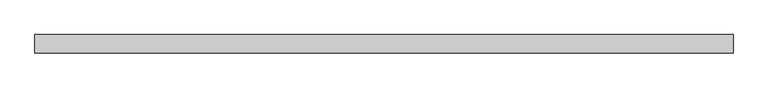
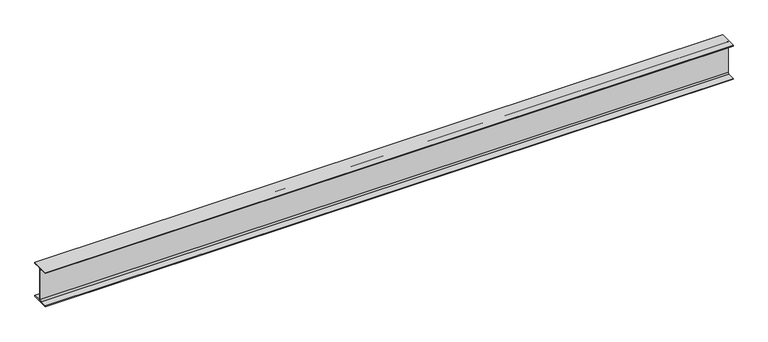
"""IFC4 building model written with IfcOpenShell, lengths in millimetres: beam geometry."""

from ifc_helpers import new_model, si_unit, point, frame, frame_2d, origin, place, context, project, spatial, polyline, circle_curve, trimmed, segment, composite_curve, outline, extrude, source, transform, mapped, element, save


def beam_1590fbc1(model_context):
    return source(origin(), model_context, "Body", "SweptSolid", [
        extrude(outline(composite_curve([segment(polyline([(74.5, -290.0), (74.5, -298.0), (-74.5, -298.0), (-74.5, -290.0), (-15.75, -290.0)]), True, "CONTINUOUS"), segment(trimmed(circle_curve(frame_2d((-15.75, -277.0)), 13.0), [point((-15.75, -290.0))], [point((-2.75, -277.0))], True, "CARTESIAN"), True, "CONTINUOUS"), segment(polyline([(-2.75, -277.0), (-2.75, -21.0)]), True, "CONTINUOUS"), segment(trimmed(circle_curve(frame_2d((-15.75, -21.0)), 13.0), [point((-2.75, -21.0))], [point((-15.75, -8.0))], True, "CARTESIAN"), True, "CONTINUOUS"), segment(polyline([(-15.75, -8.0), (-74.5, -8.0), (-74.5, 0.0), (74.5, 0.0), (74.5, -8.0), (15.75, -8.0)]), True, "CONTINUOUS"), segment(trimmed(circle_curve(frame_2d((15.75, -21.0)), 13.0), [point((15.75, -8.0))], [point((2.75, -21.0))], True, "CARTESIAN"), True, "CONTINUOUS"), segment(polyline([(2.75, -21.0), (2.75, -277.0)]), True, "CONTINUOUS"), segment(trimmed(circle_curve(frame_2d((15.75, -277.0)), 13.0), [point((2.75, -277.0))], [point((15.75, -290.0))], True, "CARTESIAN"), True, "CONTINUOUS"), segment(polyline([(15.75, -290.0), (74.5, -290.0)]), True, "CONTINUOUS")], self_intersect=False)), frame((-2837.8, 0.0, 0.0), z_axis=(1.0, 0.0, 0.0), x_axis=(0.0, 1.0, 0.0)), (0.0, 0.0, 1.0), 5675.6),
    ])


if __name__ == "__main__":
    model = new_model("IFC4")
    model_context = context("Model", 3, world=origin())
    ifc_project = project(units=[si_unit("LENGTHUNIT", "METRE", prefix="MILLI")], contexts=[model_context])
    site = spatial("IfcSite", under=ifc_project)
    building = spatial("IfcBuilding", under=site)
    placement = place(None, origin())
    beam_shape = beam_1590fbc1(model_context)
    element("IfcBeam", 1, at=placement, inside=building, context=model_context, shape_type="MappedRepresentation", body=[
        mapped(beam_shape, transform((0.0, 0.0, 0.0), x_axis=(1.0, 0.0, 0.0), y_axis=(0.0, 1.0, 0.0), z_axis=(0.0, 0.0, 1.0))),
    ])
    save(model, "model.ifc")
